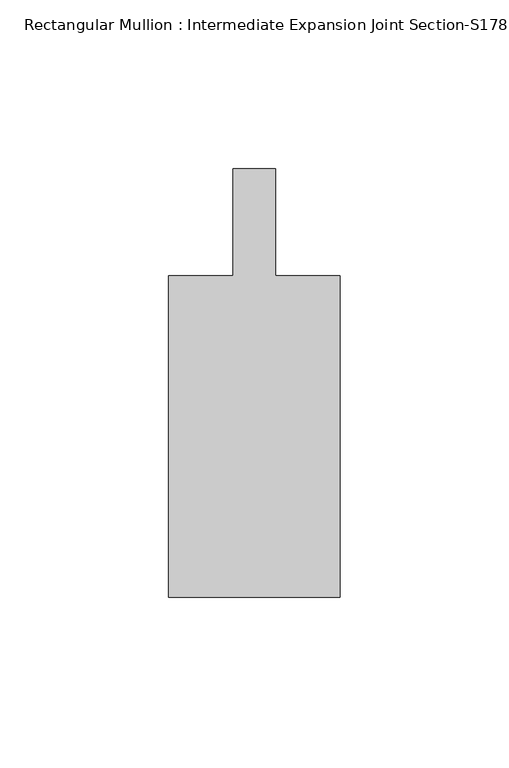
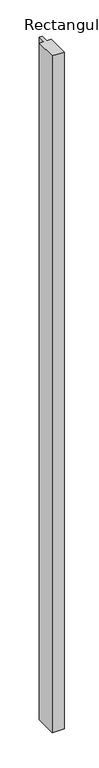
"""IFC4 building model written with IfcOpenShell, lengths in millimetres: member geometry."""

from ifc_helpers import new_model, si_unit, frame, origin, place, context, project, spatial, polyline, outline, extrude, source, transform, mapped, element, save


def member_ec0c0dfb(model_context):
    return source(origin(), model_context, "Body", "SweptSolid", [
        extrude(outline(polyline([(-25.4, -152.3998833), (-25.4, -57.1498833), (-6.3501657, -57.1498833), (-6.3501657, -25.4), (6.3501493, -25.4), (6.3501493, -57.1498833), (25.4, -57.1498833), (25.4, -152.3998833), (-25.4, -152.3998833)])), frame((0.0, 0.0, -3048.0), z_axis=(0.0, 0.0, 1.0), x_axis=(1.0, 0.0, 0.0)), (0.0, 0.0, 1.0), 3048.0),
    ])


if __name__ == "__main__":
    model = new_model("IFC4")
    model_context = context("Model", 3, world=origin())
    ifc_project = project(units=[si_unit("LENGTHUNIT", "METRE", prefix="MILLI")], contexts=[model_context])
    site = spatial("IfcSite", under=ifc_project)
    building = spatial("IfcBuilding", under=site)
    placement = place(None, origin())
    member_shape = member_ec0c0dfb(model_context)
    element("IfcMember", 1, ObjectType="Rectangular Mullion : Intermediate Expansion Joint Section-S178EJ215-1/4\" infill", at=placement, inside=building, context=model_context, shape_type="MappedRepresentation", body=[
        mapped(member_shape, transform((0.0, 0.0, 0.0), x_axis=(1.0, 0.0, 0.0), y_axis=(0.0, 1.0, 0.0), z_axis=(0.0, 0.0, 1.0))),
    ])
    save(model, "model.ifc")
